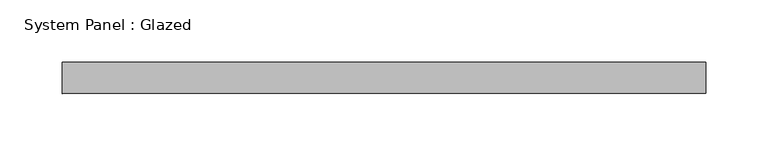
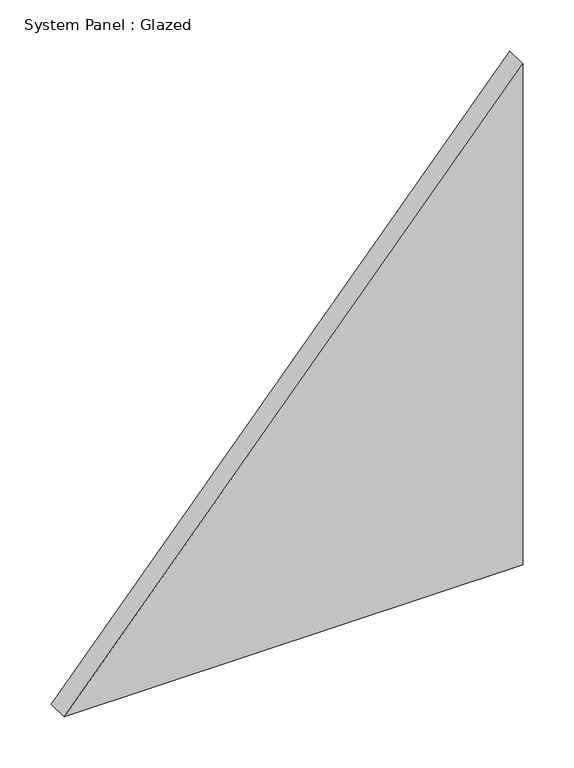
"""IFC4 building model written with IfcOpenShell, lengths in millimetres: plate geometry, System Panel : Glazed."""

from ifc_helpers import new_model, si_unit, frame, origin, place, context, project, spatial, polyline, outline, extrude, source, transform, mapped, element, save


def system_panel_glazed_3c24b659(model_context):
    return source(origin(), model_context, "Body", "SweptSolid", [
        extrude(outline(polyline([(0.0, -258.3075646), (0.0, 258.3075646), (596.5357678, 258.3075646), (0.0, -258.3075646)])), frame((0.0, 24.5, 0.0), z_axis=(0.0, 1.0, 0.0), x_axis=(0.0, 0.0, 1.0)), (0.0, 0.0, 1.0), 25.0),
    ])


if __name__ == "__main__":
    model = new_model("IFC4")
    model_context = context("Model", 3, world=origin())
    ifc_project = project(units=[si_unit("LENGTHUNIT", "METRE", prefix="MILLI")], contexts=[model_context])
    site = spatial("IfcSite", under=ifc_project)
    building = spatial("IfcBuilding", under=site)
    placement = place(None, origin())
    system_panel_glazed_shape = system_panel_glazed_3c24b659(model_context)
    element("IfcPlate", 1, ObjectType="System Panel : Glazed", at=placement, inside=building, context=model_context, shape_type="MappedRepresentation", body=[
        mapped(system_panel_glazed_shape, transform((0.0, 0.0, 0.0), x_axis=(1.0, 0.0, 0.0), y_axis=(0.0, 1.0, 0.0), z_axis=(0.0, 0.0, 1.0))),
    ])
    save(model, "model.ifc")
